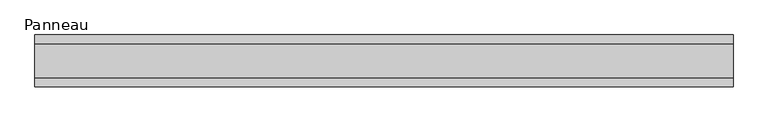
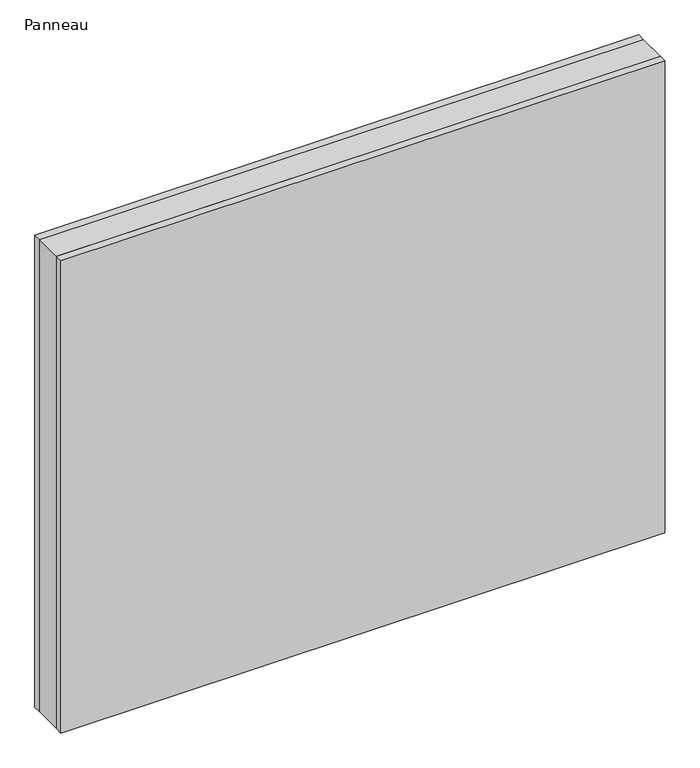
"""IFC4 building model written with IfcOpenShell, lengths in millimetres: plate geometry, Panneau."""

from ifc_helpers import new_model, si_unit, origin, origin_with_axes, place, context, project, spatial, polyline, outline, extrude, source, transform, mapped, element, save


def panneau_3335b1cb(model_context):
    return source(origin(), model_context, "Body", "SweptSolid", [
        extrude(outline(polyline([(603.3750001, 29.0), (603.3750001, -29.0), (-603.3750001, -29.0), (-603.3750001, 29.0), (603.3750001, 29.0)])), origin_with_axes(), (0.0, 0.0, 1.0), 997.0),
        extrude(outline(polyline([(603.3750001, 45.0), (603.3750001, 29.0), (-603.3750001, 29.0), (-603.3750001, 45.0), (603.3750001, 45.0)])), origin_with_axes(), (0.0, 0.0, 1.0), 997.0),
        extrude(outline(polyline([(-603.3750001, -45.0), (-603.3750001, -29.0), (603.3750001, -29.0), (603.3750001, -45.0), (-603.3750001, -45.0)])), origin_with_axes(), (0.0, 0.0, 1.0), 997.0),
    ])


if __name__ == "__main__":
    model = new_model("IFC4")
    model_context = context("Model", 3, world=origin())
    ifc_project = project(units=[si_unit("LENGTHUNIT", "METRE", prefix="MILLI")], contexts=[model_context])
    site = spatial("IfcSite", under=ifc_project)
    building = spatial("IfcBuilding", under=site)
    placement = place(None, origin())
    panneau_shape = panneau_3335b1cb(model_context)
    element("IfcPlate", 1, ObjectType="Panneau", at=placement, inside=building, context=model_context, shape_type="MappedRepresentation", body=[
        mapped(panneau_shape, transform((0.0, 0.0, 0.0), x_axis=(1.0, 0.0, 0.0), y_axis=(0.0, 1.0, 0.0), z_axis=(0.0, 0.0, 1.0))),
    ])
    save(model, "model.ifc")
